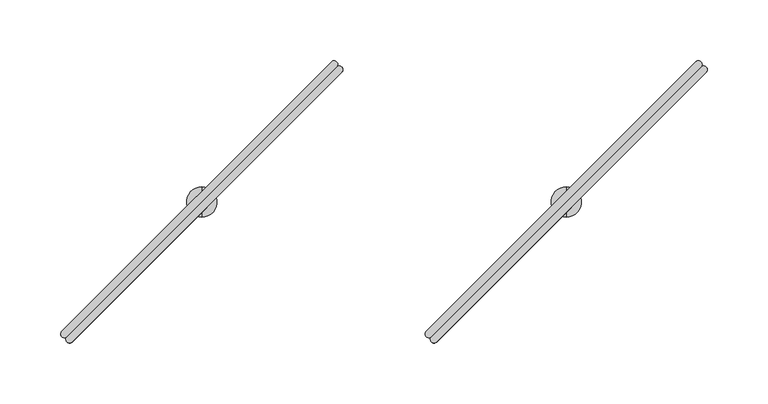
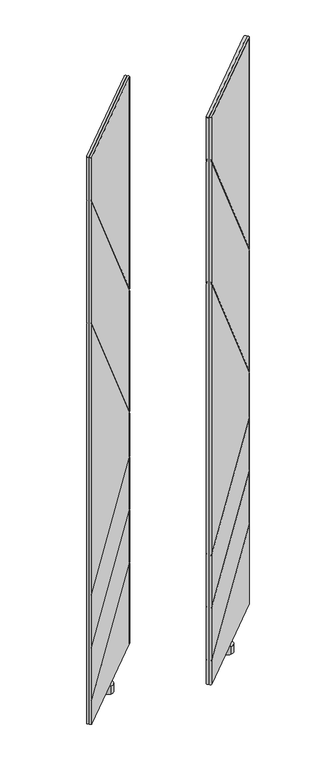
"""IFC4 building model written with IfcOpenShell, lengths in millimetres: furniture geometry."""

from ifc_helpers import new_model, si_unit, frame, origin, place, context, project, spatial, circle_curve, ellipse_curve, source, transform, mapped, element, save
from ifc_brep_helpers import plane_surface, cylinder_surface, advanced_brep


def furniture_da3703e4(model_context):
    return source(origin(), model_context, "Body", "AdvancedBrep", [
        advanced_brep(
        [(-110.9206656, -183.0476726, 1544.5359983), (111.0432147, 39.0094149, 1544.5359983), (106.8275161, 43.2234083, 1544.5359983), (-115.18424, -178.7849606, 1544.5359983), (-110.9206656, -183.0476726, 44.4119983), (-115.18424, -178.7849606, 44.4119983), (106.8275161, 43.2234083, 44.4119983), (111.0432147, 39.0094149, 44.4119983), (-115.18424, -178.7849606, 1429.2878628), (-115.6881022, -182.380027, 1433.3953437), (-115.6881022, -182.380027, 1427.844375), (-115.18424, -178.7849606, 1423.7368941), (-115.18424, -178.7849606, 1105.2593803), (-115.6881022, -182.380027, 1109.3659231), (-115.6881022, -182.380027, 1103.8158008), (-115.18424, -178.7849606, 1099.709258), (-115.18424, -178.7849606, 391.2800429), (-115.6881022, -182.380027, 389.9117165), (-115.6881022, -182.380027, 386.372591), (-115.18424, -178.7849606, 387.7409174), (-115.18424, -178.7849606, 251.1168163), (-115.6881022, -182.380027, 249.7483439), (-115.6881022, -182.380027, 246.2091496), (-115.18424, -178.7849606, 247.577622), (-115.18424, -178.7849606, 110.9151613), (-115.6881022, -182.380027, 109.5467302), (-115.6881022, -182.380027, 106.0075554), (-115.18424, -178.7849606, 107.3759865), (106.8275161, 43.2234083, 984.3412991), (106.8275161, 43.2234083, 255.6125147), (106.8275161, 43.2234083, 978.7903304), (106.8275161, 43.2234083, 660.4144411), (106.8275161, 43.2234083, 654.8643188), (106.8275161, 43.2234083, 539.5052317), (106.8275161, 43.2234083, 535.9661062), (106.8275161, 43.2234083, 399.3578128), (106.8275161, 43.2234083, 395.8186185), (106.8275161, 43.2234083, 259.1516895), (110.3510612, 43.6591364, 256.9343217), (110.3510612, 43.6591364, 260.4734965), (110.3510612, 43.6591364, 397.1404654), (110.3510612, 43.6591364, 400.6796597), (110.3510612, 43.6591364, 537.2878121), (110.3510612, 43.6591364, 540.8269377), (110.3510612, 43.6591364, 650.8976908), (110.3510612, 43.6591364, 656.4478131), (110.3510612, 43.6591364, 974.8227962), (110.3510612, 43.6591364, 980.3737649)],
        [
            (0, 1),
            (1, 2, circle_curve(frame((108.8832345, 41.0642596, 1544.5359983), z_axis=(0.0, 0.0, 1.0), x_axis=(0.6892541380737184, 0.724519656840486, 0.0)), 2.9812584)),
            (2, 3),
            (3, 0, circle_curve(frame((-113.0526846, -180.9165485, 1544.5359983), z_axis=(0.0, 0.0, 1.0), x_axis=(-0.7071121751659861, -0.7071013871659622, 0.0)), 3.0144975)),
            (4, 5, circle_curve(frame((-113.0526846, -180.9165485, 44.4119983), z_axis=(0.0, 0.0, -1.0), x_axis=(-0.7071121751659861, -0.7071013871659622, 0.0)), 3.0144975)),
            (5, 6),
            (6, 7, circle_curve(frame((108.8832345, 41.0642596, 44.4119983), z_axis=(0.0, 0.0, -1.0), x_axis=(0.6892541380737184, 0.724519656840486, 0.0)), 2.9812584)),
            (7, 4),
            (3, 8),
            (8, 9, ellipse_curve(frame((-113.0526846, -180.9165485, 1429.2878953), z_axis=(0.577750975804524, 0.5777509758045234, 0.576548020475174), x_axis=(-0.40768101495767617, -0.4076810149576757, 0.817063265657047)), 5.2285281, 3.0144975)),
            (9, 10),
            (10, 11, ellipse_curve(frame((-113.0526846, -180.9165485, 1423.7369267), z_axis=(-0.577750975804524, -0.5777509758045234, -0.576548020475174), x_axis=(-0.40768101495767617, -0.4076810149576757, 0.817063265657047)), 5.2285281, 3.0144975)),
            (11, 12),
            (12, 13, ellipse_curve(frame((-113.0526846, -180.9165485, 1105.2594129), z_axis=(0.5777071023563686, 0.577707102356368, 0.576635940411294), x_axis=(-0.4077431837407081, -0.4077431837407078, 0.8170012192316377)), 5.2277309, 3.0144975)),
            (13, 14),
            (14, 15, ellipse_curve(frame((-113.0526846, -180.9165485, 1099.7092905), z_axis=(-0.5777071023563686, -0.5777071023563679, -0.5766359404112942), x_axis=(-0.40774318374070834, -0.40774318374070784, 0.8170012192316375)), 5.2277309, 3.0144975)),
            (15, 16),
            (16, 17, ellipse_curve(frame((-113.0526846, -180.9165485, 391.2800321), z_axis=(-0.3018753516577264, -0.3018753516577261, 0.9042911832607062), x_axis=(0.6394304278508526, 0.6394304278508519, 0.42691621646050404)), 3.3335474, 3.0144975)),
            (17, 18),
            (18, 19, ellipse_curve(frame((-113.0526846, -180.9165485, 387.7409066), z_axis=(0.3018753516577265, 0.30187535165772633, -0.9042911832607061), x_axis=(0.6394304278508526, 0.6394304278508522, 0.4269162164605042)), 3.3335474, 3.0144975)),
            (19, 20),
            (20, 21, ellipse_curve(frame((-113.0526846, -180.9165485, 251.1168054), z_axis=(-0.3019016772725295, -0.3019016772725292, 0.9042736060065379), x_axis=(0.6394179988552356, 0.6394179988552351, 0.4269534465019956)), 3.3336122, 3.0144975)),
            (21, 22),
            (22, 23, ellipse_curve(frame((-113.0526846, -180.9165485, 247.5776111), z_axis=(0.3019016772725295, 0.30190167727252887, -0.9042736060065379), x_axis=(0.639417998855236, 0.6394179988552348, 0.42695344650199585)), 3.3336122, 3.0144975)),
            (23, 24),
            (24, 25, ellipse_curve(frame((-113.0526846, -180.9165485, 110.9151505), z_axis=(-0.30189423598003035, -0.30189423598003007, 0.9042785746461471), x_axis=(0.6394215122139965, 0.6394215122139959, 0.4269429229252227)), 3.3335939, 3.0144975)),
            (25, 26),
            (26, 27, ellipse_curve(frame((-113.0526846, -180.9165485, 107.3759756), z_axis=(0.30189423598002996, 0.3018942359800298, -0.9042785746461475), x_axis=(0.6394215122139967, 0.6394215122139962, 0.4269429229252216)), 3.3335939, 3.0144975)),
            (27, 5),
            (4, 0),
            (2, 28),
            (28, 8),
            (27, 29),
            (29, 6),
            (11, 30),
            (30, 31),
            (31, 12),
            (15, 32),
            (32, 33),
            (33, 16),
            (19, 34),
            (34, 35),
            (35, 20),
            (23, 36),
            (36, 37),
            (37, 24),
            (1, 7),
            (29, 38, ellipse_curve(frame((108.8832345, 41.0642596, 255.5779843), z_axis=(0.30189423598002996, 0.3018942359800298, -0.9042785746461475), x_axis=(0.6394215122139967, 0.6394215122139962, 0.4269429229252216)), 3.2968362, 2.9812584)),
            (38, 39),
            (39, 37, ellipse_curve(frame((108.8832345, 41.0642596, 259.1171592), z_axis=(-0.30189423598003035, -0.30189423598003007, 0.9042785746461471), x_axis=(0.6394215122139965, 0.6394215122139959, 0.4269429229252227)), 3.2968362, 2.9812584)),
            (36, 40, ellipse_curve(frame((108.8832345, 41.0642596, 395.7840871), z_axis=(0.3019016772725295, 0.30190167727252887, -0.9042736060065379), x_axis=(0.639417998855236, 0.6394179988552348, 0.42695344650199585)), 3.2968543, 2.9812584)),
            (40, 41),
            (41, 35, ellipse_curve(frame((108.8832345, 41.0642596, 399.3232814), z_axis=(-0.3019016772725295, -0.3019016772725292, 0.9042736060065379), x_axis=(0.6394179988552356, 0.6394179988552351, 0.4269534465019956)), 3.2968543, 2.9812584)),
            (34, 42, ellipse_curve(frame((108.8832345, 41.0642596, 535.9315785), z_axis=(0.3018753516577265, 0.30187535165772633, -0.9042911832607061), x_axis=(0.6394304278508526, 0.6394304278508522, 0.4269162164605042)), 3.2967902, 2.9812584)),
            (42, 43),
            (43, 33, ellipse_curve(frame((108.8832345, 41.0642596, 539.4707041), z_axis=(-0.3018753516577264, -0.3018753516577261, 0.9042911832607062), x_axis=(0.6394304278508526, 0.6394304278508519, 0.42691621646050404)), 3.2967902, 2.9812584)),
            (32, 44, ellipse_curve(frame((108.8832345, 41.0642596, 654.9679413), z_axis=(-0.5777071023563686, -0.5777071023563679, -0.5766359404112942), x_axis=(-0.40774318374070834, -0.40774318374070784, 0.8170012192316375)), 5.1700876, 2.9812584)),
            (44, 45),
            (45, 31, ellipse_curve(frame((108.8832345, 41.0642596, 660.5180637), z_axis=(0.5777071023563686, 0.577707102356368, 0.576635940411294), x_axis=(-0.4077431837407081, -0.4077431837407078, 0.8170012192316377)), 5.1700876, 2.9812584)),
            (30, 46, ellipse_curve(frame((108.8832345, 41.0642596, 978.8939766), z_axis=(-0.577750975804524, -0.5777509758045234, -0.576548020475174), x_axis=(-0.40768101495767617, -0.4076810149576757, 0.817063265657047)), 5.1708761, 2.9812584)),
            (46, 47),
            (47, 28, ellipse_curve(frame((108.8832345, 41.0642596, 984.4449453), z_axis=(0.577750975804524, 0.5777509758045234, 0.576548020475174), x_axis=(-0.40768101495767617, -0.4076810149576757, 0.817063265657047)), 5.1708761, 2.9812584)),
            (46, 10),
            (9, 47),
            (44, 14),
            (13, 45),
            (17, 43),
            (42, 18),
            (40, 22),
            (21, 41),
            (38, 26),
            (25, 39),
        ],
        [
            plane_surface(frame((-2.0585437, -69.8999525, 1544.5359983), z_axis=(0.0, 0.0, 1.0000000000000002), x_axis=(0.7069583324882522, 0.7072551987263367, 0.0))),
            plane_surface(frame((-2.0585437, -69.8999525, 44.4119983), z_axis=(0.0, 0.0, -1.0000000000000002), x_axis=(0.7069583324882522, 0.7072551987263367, 0.0))),
            cylinder_surface(frame((-113.0526846, -180.9165485, 44.4119983), z_axis=(0.0, 0.0, 1.0), x_axis=(-0.7071121751659861, -0.7071013871659622, 0.0)), 3.0144975),
            plane_surface(frame((-4.1783619, -67.7807761, 44.4119983), z_axis=(-0.7071013871659615, 0.7071121751659868, 0.0), x_axis=(-0.7071121751659868, -0.7071013871659615, 0.0))),
            cylinder_surface(frame((108.8832345, 41.0642596, 44.4119983), z_axis=(0.0, 0.0, 1.0), x_axis=(0.6892541380737184, 0.724519656840486, 0.0)), 2.9812584),
            plane_surface(frame((0.0612746, -72.0191288, 44.4119983), z_axis=(0.7072551987263367, -0.7069583324882522, 0.0), x_axis=(0.7069583324882522, 0.7072551987263367, 0.0))),
            plane_surface(frame((124.7325456, 58.0406208, 1894.4944788), z_axis=(-0.7071067811865472, 0.707106781186548, 0.0), x_axis=(0.0, 0.0, 1.0))),
            plane_surface(frame((-149.6523346, -176.8311325, 1461.8699696), z_axis=(-0.577750975804524, -0.5777509758045234, -0.576548020475174), x_axis=(0.7071067811865472, -0.7071067811865479, 0.0))),
            plane_surface(frame((104.9759821, 77.7971843, 945.9998141), z_axis=(0.577750975804524, 0.5777509758045234, 0.576548020475174), x_axis=(0.7071067811865472, -0.7071067811865479, 0.0))),
            plane_surface(frame((-149.6523346, -176.8311325, 1137.8340454), z_axis=(-0.5777071023563686, -0.577707102356368, -0.576635940411294), x_axis=(0.7071067811865472, -0.7071067811865479, 0.0))),
            plane_surface(frame((104.9759821, 77.7971843, 622.0812918), z_axis=(0.5777071023563686, 0.5777071023563679, 0.5766359404112942), x_axis=(0.7071067811865471, -0.707106781186548, 0.0))),
            plane_surface(frame((104.9759821, 77.7971843, 546.8896212), z_axis=(-0.3018753516577265, -0.30187535165772633, 0.9042911832607061), x_axis=(0.7071067811865474, -0.7071067811865477, 0.0))),
            plane_surface(frame((-149.6523346, -176.8311325, 380.4259554), z_axis=(0.30187535165772644, 0.30187535165772617, -0.9042911832607065), x_axis=(0.7071067811865472, -0.7071067811865479, 0.0))),
            plane_surface(frame((-149.6523346, -176.8311325, 240.2615712), z_axis=(0.3019016772725295, 0.3019016772725292, -0.9042736060065379), x_axis=(0.7071067811865472, -0.7071067811865479, 0.0))),
            plane_surface(frame((104.9759821, 77.7971843, 406.7432984), z_axis=(-0.3019016772725295, -0.30190167727252887, 0.9042736060065379), x_axis=(0.7071067811865468, -0.7071067811865482, 0.0))),
            plane_surface(frame((-149.6523346, -176.8311325, 100.0602435), z_axis=(0.3018942359800304, 0.3018942359800301, -0.9042785746461474), x_axis=(0.7071067811865472, -0.7071067811865479, 0.0))),
            plane_surface(frame((104.9759821, 77.7971843, 266.5368653), z_axis=(-0.30189423598002996, -0.3018942359800298, 0.9042785746461475), x_axis=(0.7071067811865474, -0.7071067811865477, 0.0))),
        ],
        [
            (0, [[1, 2, 3, 4]]),
            (1, [[5, 6, 7, 8]]),
            (2, [[-4, 9, 10, 11, 12, 13, 14, 15, 16, 17, 18, 19, 20, 21, 22, 23, 24, 25, 26, 27, 28, 29, -5, 30]]),
            (3, [[-3, 31, 32, -9]]),
            (3, [[-6, -29, 33, 34]]),
            (3, [[-13, 35, 36, 37]]),
            (3, [[-17, 38, 39, 40]]),
            (3, [[-21, 41, 42, 43]]),
            (3, [[-25, 44, 45, 46]]),
            (4, [[-2, 47, -7, -34, 48, 49, 50, -45, 51, 52, 53, -42, 54, 55, 56, -39, 57, 58, 59, -36, 60, 61, 62, -31]]),
            (5, [[-1, -30, -8, -47]]),
            (6, [[63, -11, 64, -61]]),
            (6, [[65, -15, 66, -58]]),
            (6, [[67, -55, 68, -19]]),
            (6, [[69, -23, 70, -52]]),
            (6, [[71, -27, 72, -49]]),
            (7, [[-64, -10, -32, -62]]),
            (8, [[-63, -60, -35, -12]]),
            (9, [[-66, -14, -37, -59]]),
            (10, [[-65, -57, -38, -16]]),
            (11, [[-68, -54, -41, -20]]),
            (12, [[-67, -18, -40, -56]]),
            (13, [[-70, -22, -43, -53]]),
            (14, [[-69, -51, -44, -24]]),
            (15, [[-72, -26, -46, -50]]),
            (16, [[-71, -48, -33, -28]]),
        ],
    ),
        advanced_brep(
        [(-110.9599734, -183.0083649, 1544.5359983), (-106.6972613, -187.2719392, 1544.5359983), (115.3111076, 34.7398168, 1544.5359983), (111.0971142, 38.9555155, 1544.5359983), (-110.9599733, -183.0083649, 44.4119983), (111.0971142, 38.9555155, 44.4119983), (115.3111076, 34.7398168, 44.4119983), (-106.6972613, -187.2719392, 44.4119983), (-106.6972613, -187.2719392, 107.3759865), (-110.2923277, -187.7758015, 106.0075554), (-110.2923277, -187.7758015, 109.5467302), (-106.6972613, -187.2719392, 110.9151613), (-106.6972613, -187.2719392, 247.577622), (-110.2923277, -187.7758015, 246.2091496), (-110.2923277, -187.7758015, 249.7483439), (-106.6972613, -187.2719392, 251.1168163), (-106.6972613, -187.2719392, 387.7409174), (-110.2923277, -187.7758015, 386.372591), (-110.2923277, -187.7758015, 389.9117165), (-106.6972613, -187.2719392, 391.2800429), (-106.6972613, -187.2719392, 1099.709258), (-110.2923277, -187.7758015, 1103.8158008), (-110.2923277, -187.7758015, 1109.3659231), (-106.6972613, -187.2719392, 1105.2593803), (-106.6972613, -187.2719392, 1423.7368941), (-110.2923277, -187.7758015, 1427.844375), (-110.2923277, -187.7758015, 1433.3953437), (-106.6972613, -187.2719392, 1429.2878628), (115.3111076, 34.7398168, 259.1516895), (115.3111076, 34.7398168, 395.8186185), (115.3111076, 34.7398168, 399.3578128), (115.3111076, 34.7398168, 535.9661062), (115.3111076, 34.7398168, 539.5052317), (115.3111076, 34.7398168, 654.8643188), (115.3111076, 34.7398168, 660.4144411), (115.3111076, 34.7398168, 978.7903304), (115.3111076, 34.7398168, 984.3412991), (115.3111076, 34.7398168, 255.6125147), (115.7468357, 38.263362, 980.3737649), (115.7468357, 38.263362, 974.8227962), (115.7468357, 38.263362, 656.4478131), (115.7468357, 38.263362, 650.8976908), (115.7468357, 38.263362, 540.8269377), (115.7468357, 38.263362, 537.2878121), (115.7468357, 38.263362, 400.6796597), (115.7468357, 38.263362, 397.1404654), (115.7468357, 38.263362, 260.4734965), (115.7468357, 38.263362, 256.9343217)],
        [
            (0, 1, circle_curve(frame((-108.8288492, -185.1403839, 1544.5359983), z_axis=(0.0, 0.0, 1.0), x_axis=(-0.7072551987263337, -0.7069583324882551, 0.0)), 3.0144975)),
            (1, 2),
            (2, 3, circle_curve(frame((113.1519589, 36.7955352, 1544.5359983), z_axis=(0.0, 0.0, 1.0), x_axis=(0.6895472047235311, 0.7242407420588576, 0.0)), 2.9812584)),
            (3, 0),
            (4, 5),
            (5, 6, circle_curve(frame((113.1519589, 36.7955352, 44.4119983), z_axis=(0.0, 0.0, -1.0), x_axis=(0.6895472047235311, 0.7242407420588576, 0.0)), 2.9812584)),
            (6, 7),
            (7, 4, circle_curve(frame((-108.8288492, -185.1403839, 44.4119983), z_axis=(0.0, 0.0, -1.0), x_axis=(-0.7072551987263337, -0.7069583324882551, 0.0)), 3.0144975)),
            (0, 4),
            (7, 8),
            (8, 9, ellipse_curve(frame((-108.8288492, -185.1403839, 107.3759756), z_axis=(0.3018942359800301, 0.3018942359800296, -0.9042785746461475), x_axis=(0.6394215122139969, 0.6394215122139959, 0.4269429229252216)), 3.3335939, 3.0144975)),
            (9, 10),
            (10, 11, ellipse_curve(frame((-108.8288492, -185.1403839, 110.9151505), z_axis=(-0.30189423598003046, -0.3018942359800299, 0.9042785746461472), x_axis=(0.639421512213997, 0.6394215122139958, 0.42694292292522235)), 3.3335939, 3.0144975)),
            (11, 12),
            (12, 13, ellipse_curve(frame((-108.8288492, -185.1403839, 247.5776111), z_axis=(0.3019016772725294, 0.3019016772725289, -0.9042736060065379), x_axis=(0.6394179988552359, 0.6394179988552348, 0.4269534465019958)), 3.3336122, 3.0144975)),
            (13, 14),
            (14, 15, ellipse_curve(frame((-108.8288492, -185.1403839, 251.1168054), z_axis=(-0.30190167727252964, -0.3019016772725291, 0.9042736060065377), x_axis=(0.6394179988552356, 0.6394179988552345, 0.42695344650199624)), 3.3336122, 3.0144975)),
            (15, 16),
            (16, 17, ellipse_curve(frame((-108.8288492, -185.1403839, 387.7409066), z_axis=(0.3018753516577267, 0.3018753516577262, -0.9042911832607062), x_axis=(0.6394304278508529, 0.6394304278508518, 0.42691621646050376)), 3.3335474, 3.0144975)),
            (17, 18),
            (18, 19, ellipse_curve(frame((-108.8288492, -185.1403839, 391.2800321), z_axis=(-0.3018753516577265, -0.30187535165772594, 0.9042911832607062), x_axis=(0.6394304278508529, 0.6394304278508517, 0.42691621646050404)), 3.3335474, 3.0144975)),
            (19, 20),
            (20, 21, ellipse_curve(frame((-108.8288492, -185.1403839, 1099.7092905), z_axis=(-0.5777071023563687, -0.5777071023563677, -0.5766359404112942), x_axis=(-0.40774318374070845, -0.4077431837407077, 0.8170012192316376)), 5.2277309, 3.0144975)),
            (21, 22),
            (22, 23, ellipse_curve(frame((-108.8288492, -185.1403839, 1105.2594129), z_axis=(0.5777071023563689, 0.5777071023563678, 0.576635940411294), x_axis=(-0.4077431837407084, -0.40774318374070756, 0.8170012192316377)), 5.2277309, 3.0144975)),
            (23, 24),
            (24, 25, ellipse_curve(frame((-108.8288492, -185.1403839, 1423.7369267), z_axis=(-0.5777509758045232, -0.5777509758045242, -0.5765480204751738), x_axis=(-0.40768101495767556, -0.4076810149576762, 0.8170632656570472)), 5.2285281, 3.0144975)),
            (25, 26),
            (26, 27, ellipse_curve(frame((-108.8288492, -185.1403839, 1429.2878953), z_axis=(0.5777509758045243, 0.5777509758045233, 0.5765480204751738), x_axis=(-0.4076810149576763, -0.4076810149576756, 0.8170632656570472)), 5.2285281, 3.0144975)),
            (27, 1),
            (11, 28),
            (28, 29),
            (29, 12),
            (15, 30),
            (30, 31),
            (31, 16),
            (19, 32),
            (32, 33),
            (33, 20),
            (23, 34),
            (34, 35),
            (35, 24),
            (27, 36),
            (36, 2),
            (6, 37),
            (37, 8),
            (36, 38, ellipse_curve(frame((113.1519589, 36.7955352, 984.4449453), z_axis=(0.5777509758045243, 0.5777509758045233, 0.5765480204751738), x_axis=(-0.4076810149576763, -0.4076810149576756, 0.8170632656570472)), 5.1708761, 2.9812584)),
            (38, 39),
            (39, 35, ellipse_curve(frame((113.1519589, 36.7955352, 978.8939766), z_axis=(-0.5777509758045232, -0.5777509758045242, -0.5765480204751738), x_axis=(-0.40768101495767556, -0.4076810149576762, 0.8170632656570472)), 5.1708761, 2.9812584)),
            (34, 40, ellipse_curve(frame((113.1519589, 36.7955352, 660.5180637), z_axis=(0.5777071023563689, 0.5777071023563678, 0.576635940411294), x_axis=(-0.4077431837407084, -0.40774318374070756, 0.8170012192316377)), 5.1700876, 2.9812584)),
            (40, 41),
            (41, 33, ellipse_curve(frame((113.1519589, 36.7955352, 654.9679413), z_axis=(-0.5777071023563687, -0.5777071023563677, -0.5766359404112942), x_axis=(-0.40774318374070845, -0.4077431837407077, 0.8170012192316376)), 5.1700876, 2.9812584)),
            (32, 42, ellipse_curve(frame((113.1519589, 36.7955352, 539.4707041), z_axis=(-0.3018753516577265, -0.30187535165772594, 0.9042911832607062), x_axis=(0.6394304278508529, 0.6394304278508517, 0.42691621646050404)), 3.2967902, 2.9812584)),
            (42, 43),
            (43, 31, ellipse_curve(frame((113.1519589, 36.7955352, 535.9315785), z_axis=(0.3018753516577267, 0.3018753516577262, -0.9042911832607062), x_axis=(0.6394304278508529, 0.6394304278508518, 0.42691621646050376)), 3.2967902, 2.9812584)),
            (30, 44, ellipse_curve(frame((113.1519589, 36.7955352, 399.3232814), z_axis=(-0.30190167727252964, -0.3019016772725291, 0.9042736060065377), x_axis=(0.6394179988552356, 0.6394179988552345, 0.42695344650199624)), 3.2968543, 2.9812584)),
            (44, 45),
            (45, 29, ellipse_curve(frame((113.1519589, 36.7955352, 395.7840871), z_axis=(0.3019016772725294, 0.3019016772725289, -0.9042736060065379), x_axis=(0.6394179988552359, 0.6394179988552348, 0.4269534465019958)), 3.2968543, 2.9812584)),
            (28, 46, ellipse_curve(frame((113.1519589, 36.7955352, 259.1171592), z_axis=(-0.30189423598003046, -0.3018942359800299, 0.9042785746461472), x_axis=(0.639421512213997, 0.6394215122139958, 0.42694292292522235)), 3.2968362, 2.9812584)),
            (46, 47),
            (47, 37, ellipse_curve(frame((113.1519589, 36.7955352, 255.5779843), z_axis=(0.3018942359800301, 0.3018942359800296, -0.9042785746461475), x_axis=(0.6394215122139969, 0.6394215122139959, 0.4269429229252216)), 3.2968362, 2.9812584)),
            (5, 3),
            (38, 26),
            (25, 39),
            (40, 22),
            (21, 41),
            (17, 43),
            (42, 18),
            (44, 14),
            (13, 45),
            (46, 10),
            (9, 47),
        ],
        [
            plane_surface(frame((2.1877468, -74.146243, 1544.5359983), z_axis=(0.0, 0.0, 1.0000000000000002), x_axis=(-0.7072551987263422, -0.7069583324882467, 0.0))),
            plane_surface(frame((2.1877468, -74.146243, 44.4119983), z_axis=(0.0, 0.0, -1.0000000000000002), x_axis=(-0.7072551987263422, -0.7069583324882467, 0.0))),
            cylinder_surface(frame((-108.8288492, -185.1403839, 44.4119983), z_axis=(0.0, 0.0, 1.0), x_axis=(-0.7072551987263337, -0.7069583324882551, 0.0)), 3.0144975),
            plane_surface(frame((4.3069231, -76.2660612, 44.4119983), z_axis=(0.7071121751659858, -0.7071013871659624, 0.0), x_axis=(0.7071013871659624, 0.7071121751659858, 0.0))),
            cylinder_surface(frame((113.1519589, 36.7955352, 44.4119983), z_axis=(0.0, 0.0, 1.0), x_axis=(0.6895472047235311, 0.7242407420588576, 0.0)), 2.9812584),
            plane_surface(frame((0.0685705, -72.0264247, 44.4119983), z_axis=(-0.7069583324882512, 0.7072551987263376, 0.0), x_axis=(-0.7072551987263376, -0.7069583324882512, 0.0))),
            plane_surface(frame((100.8293536, 23.3458798, 1010.2709792), z_axis=(0.7071067811865471, -0.7071067811865481, 0.0), x_axis=(0.40768101495767617, 0.40768101495767556, -0.8170632656570473))),
            plane_surface(frame((149.8848836, 32.8882829, 951.5507828), z_axis=(-0.5777509758045242, -0.5777509758045232, -0.5765480204751737), x_axis=(-0.7071067811865469, 0.7071067811865481, 0.0))),
            plane_surface(frame((-104.7434332, -221.7400339, 1456.3190009), z_axis=(0.5777509758045232, 0.5777509758045242, 0.5765480204751738), x_axis=(-0.7071067811865481, 0.7071067811865469, 0.0))),
            plane_surface(frame((149.8848836, 32.8882829, 627.6314141), z_axis=(-0.5777071023563689, -0.5777071023563678, -0.576635940411294), x_axis=(-0.7071067811865469, 0.7071067811865482, 0.0))),
            plane_surface(frame((-104.7434332, -221.7400339, 1132.2839231), z_axis=(0.5777071023563687, 0.5777071023563677, 0.5766359404112942), x_axis=(-0.7071067811865469, 0.7071067811865481, 0.0))),
            plane_surface(frame((-104.7434332, -221.7400339, 376.8868299), z_axis=(-0.3018753516577267, -0.3018753516577262, 0.9042911832607062), x_axis=(-0.7071067811865469, 0.7071067811865481, 0.0))),
            plane_surface(frame((149.8848836, 32.8882829, 550.4287468), z_axis=(0.30187535165772655, 0.301875351657726, -0.9042911832607065), x_axis=(-0.7071067811865469, 0.7071067811865482, 0.0))),
            plane_surface(frame((149.8848836, 32.8882829, 410.2824928), z_axis=(0.3019016772725297, 0.30190167727252915, -0.9042736060065379), x_axis=(-0.7071067811865469, 0.7071067811865482, 0.0))),
            plane_surface(frame((-104.7434332, -221.7400339, 236.7223769), z_axis=(-0.3019016772725294, -0.3019016772725289, 0.9042736060065379), x_axis=(-0.7071067811865469, 0.7071067811865481, 0.0))),
            plane_surface(frame((149.8848836, 32.8882829, 270.0760402), z_axis=(0.3018942359800305, 0.30189423598002996, -0.9042785746461475), x_axis=(-0.7071067811865469, 0.7071067811865482, 0.0))),
            plane_surface(frame((-104.7434332, -221.7400339, 96.5210686), z_axis=(-0.3018942359800301, -0.3018942359800296, 0.9042785746461475), x_axis=(-0.7071067811865469, 0.7071067811865481, 0.0))),
        ],
        [
            (0, [[1, 2, 3, 4]]),
            (1, [[5, 6, 7, 8]]),
            (2, [[-1, 9, -8, 10, 11, 12, 13, 14, 15, 16, 17, 18, 19, 20, 21, 22, 23, 24, 25, 26, 27, 28, 29, 30]]),
            (3, [[-14, 31, 32, 33]]),
            (3, [[-18, 34, 35, 36]]),
            (3, [[-22, 37, 38, 39]]),
            (3, [[-26, 40, 41, 42]]),
            (3, [[-2, -30, 43, 44]]),
            (3, [[-7, 45, 46, -10]]),
            (4, [[-3, -44, 47, 48, 49, -41, 50, 51, 52, -38, 53, 54, 55, -35, 56, 57, 58, -32, 59, 60, 61, -45, -6, 62]]),
            (5, [[-4, -62, -5, -9]]),
            (6, [[63, -28, 64, -48]]),
            (6, [[65, -24, 66, -51]]),
            (6, [[67, -54, 68, -20]]),
            (6, [[69, -16, 70, -57]]),
            (6, [[71, -12, 72, -60]]),
            (7, [[-63, -47, -43, -29]]),
            (8, [[-64, -27, -42, -49]]),
            (9, [[-65, -50, -40, -25]]),
            (10, [[-66, -23, -39, -52]]),
            (11, [[-67, -19, -36, -55]]),
            (12, [[-68, -53, -37, -21]]),
            (13, [[-69, -56, -34, -17]]),
            (14, [[-70, -15, -33, -58]]),
            (15, [[-71, -59, -31, -13]]),
            (16, [[-72, -11, -46, -61]]),
        ],
    ),
        advanced_brep(
        [(0.0, -84.5709522, 44.4119983), (0.0, -59.5748171, 44.4119983), (0.0, -59.5748171, 23.6755986), (0.0, -84.5709522, 23.6755986), (0.0, -72.0728847, 44.4119983), (0.0, -72.0728847, 23.6755986)],
        [
            (0, 1, circle_curve(frame((0.0, -72.0728847, 44.4119983), z_axis=(0.0, 0.0, -1.0), x_axis=(0.0, 1.0, 0.0)), 12.4980675)),
            (1, 2),
            (2, 3, circle_curve(frame((0.0, -72.0728847, 23.6755986), z_axis=(0.0, 0.0, 1.0), x_axis=(0.0, 1.0, 0.0)), 12.4980675)),
            (3, 0),
            (4, 1),
            (0, 4),
            (0, 1, circle_curve(frame((0.0, -72.0728847, 44.4119983), z_axis=(0.0, 0.0, 1.0), x_axis=(0.0, 1.0, 0.0)), 12.4980675)),
            (2, 5),
            (5, 3),
            (2, 3, circle_curve(frame((0.0, -72.0728847, 23.6755986), z_axis=(0.0, 0.0, -1.0), x_axis=(0.0, 1.0, 0.0)), 12.4980675)),
        ],
        [
            cylinder_surface(frame((0.0, -72.0728847, 51.9527758), z_axis=(0.0, 0.0, 1.0), x_axis=(0.0, 1.0, 0.0)), 12.4980675),
            plane_surface(frame((0.0, -72.0728847, 44.4119983), z_axis=(0.0, 0.0, 1.0), x_axis=(0.0, 1.0, 0.0))),
            plane_surface(frame((0.0, -72.0728847, 23.6755986), z_axis=(0.0, 0.0, -1.0), x_axis=(0.0, 1.0, 0.0))),
        ],
        [
            (0, [[1, 2, 3, 4]]),
            (1, [[5, -1, 6]]),
            (1, [[-6, 7, -5]]),
            (2, [[-3, 8, 9]]),
            (2, [[10, -9, -8]]),
            (0, [[-7, -4, -10, -2]]),
        ],
    ),
        advanced_brep(
        [(-410.9200656, -183.0476726, 1544.5359983), (-188.9561853, 39.0094149, 1544.5359983), (-193.1718839, 43.2234083, 1544.5359983), (-415.18364, -178.7849606, 1544.5359983), (-410.9200656, -183.0476726, 44.4119983), (-415.18364, -178.7849606, 44.4119983), (-193.1718839, 43.2234083, 44.4119983), (-188.9561853, 39.0094149, 44.4119983), (-415.18364, -178.7849606, 1429.2878628), (-415.6875022, -182.380027, 1433.3953437), (-415.6875022, -182.380027, 1427.844375), (-415.18364, -178.7849606, 1423.7368941), (-415.18364, -178.7849606, 1105.2593803), (-415.6875022, -182.380027, 1109.3659231), (-415.6875022, -182.380027, 1103.8158008), (-415.18364, -178.7849606, 1099.709258), (-415.18364, -178.7849606, 391.2800429), (-415.6875022, -182.380027, 389.9117165), (-415.6875022, -182.380027, 386.372591), (-415.18364, -178.7849606, 387.7409174), (-415.18364, -178.7849606, 251.1168163), (-415.6875022, -182.380027, 249.7483439), (-415.6875022, -182.380027, 246.2091496), (-415.18364, -178.7849606, 247.577622), (-415.18364, -178.7849606, 110.9151613), (-415.6875022, -182.380027, 109.5467302), (-415.6875022, -182.380027, 106.0075554), (-415.18364, -178.7849606, 107.3759865), (-193.1718839, 43.2234083, 984.3412991), (-193.1718839, 43.2234083, 255.6125147), (-193.1718839, 43.2234083, 978.7903304), (-193.1718839, 43.2234083, 660.4144411), (-193.1718839, 43.2234083, 654.8643188), (-193.1718839, 43.2234083, 539.5052317), (-193.1718839, 43.2234083, 535.9661062), (-193.1718839, 43.2234083, 399.3578128), (-193.1718839, 43.2234083, 395.8186185), (-193.1718839, 43.2234083, 259.1516895), (-189.6483388, 43.6591364, 256.9343217), (-189.6483388, 43.6591364, 260.4734965), (-189.6483388, 43.6591364, 397.1404654), (-189.6483388, 43.6591364, 400.6796597), (-189.6483388, 43.6591364, 537.2878121), (-189.6483388, 43.6591364, 540.8269377), (-189.6483388, 43.6591364, 650.8976908), (-189.6483388, 43.6591364, 656.4478131), (-189.6483388, 43.6591364, 974.8227962), (-189.6483388, 43.6591364, 980.3737649)],
        [
            (0, 1),
            (1, 2, circle_curve(frame((-191.1161655, 41.0642596, 1544.5359983), z_axis=(0.0, 0.0, 1.0), x_axis=(0.6892541380737184, 0.724519656840486, 0.0)), 2.9812584)),
            (2, 3),
            (3, 0, circle_curve(frame((-413.0520846, -180.9165485, 1544.5359983), z_axis=(0.0, 0.0, 1.0), x_axis=(-0.7071121751659861, -0.7071013871659622, 0.0)), 3.0144975)),
            (4, 5, circle_curve(frame((-413.0520846, -180.9165485, 44.4119983), z_axis=(0.0, 0.0, -1.0), x_axis=(-0.7071121751659861, -0.7071013871659622, 0.0)), 3.0144975)),
            (5, 6),
            (6, 7, circle_curve(frame((-191.1161655, 41.0642596, 44.4119983), z_axis=(0.0, 0.0, -1.0), x_axis=(0.6892541380737184, 0.724519656840486, 0.0)), 2.9812584)),
            (7, 4),
            (3, 8),
            (8, 9, ellipse_curve(frame((-413.0520846, -180.9165485, 1429.2878953), z_axis=(0.577750975804524, 0.5777509758045234, 0.576548020475174), x_axis=(-0.40768101495767617, -0.4076810149576757, 0.817063265657047)), 5.2285281, 3.0144975)),
            (9, 10),
            (10, 11, ellipse_curve(frame((-413.0520846, -180.9165485, 1423.7369267), z_axis=(-0.577750975804524, -0.5777509758045234, -0.576548020475174), x_axis=(-0.40768101495767617, -0.4076810149576757, 0.817063265657047)), 5.2285281, 3.0144975)),
            (11, 12),
            (12, 13, ellipse_curve(frame((-413.0520846, -180.9165485, 1105.2594129), z_axis=(0.5777071023563686, 0.577707102356368, 0.576635940411294), x_axis=(-0.4077431837407081, -0.4077431837407078, 0.8170012192316377)), 5.2277309, 3.0144975)),
            (13, 14),
            (14, 15, ellipse_curve(frame((-413.0520846, -180.9165485, 1099.7092905), z_axis=(-0.5777071023563686, -0.5777071023563679, -0.5766359404112942), x_axis=(-0.40774318374070834, -0.40774318374070784, 0.8170012192316375)), 5.2277309, 3.0144975)),
            (15, 16),
            (16, 17, ellipse_curve(frame((-413.0520846, -180.9165485, 391.2800321), z_axis=(-0.3018753516577264, -0.3018753516577261, 0.9042911832607062), x_axis=(0.6394304278508526, 0.6394304278508519, 0.42691621646050404)), 3.3335474, 3.0144975)),
            (17, 18),
            (18, 19, ellipse_curve(frame((-413.0520846, -180.9165485, 387.7409066), z_axis=(0.3018753516577265, 0.30187535165772633, -0.9042911832607061), x_axis=(0.6394304278508526, 0.6394304278508522, 0.4269162164605042)), 3.3335474, 3.0144975)),
            (19, 20),
            (20, 21, ellipse_curve(frame((-413.0520846, -180.9165485, 251.1168054), z_axis=(-0.3019016772725295, -0.3019016772725292, 0.9042736060065379), x_axis=(0.6394179988552356, 0.6394179988552351, 0.4269534465019956)), 3.3336122, 3.0144975)),
            (21, 22),
            (22, 23, ellipse_curve(frame((-413.0520846, -180.9165485, 247.5776111), z_axis=(0.3019016772725295, 0.30190167727252887, -0.9042736060065379), x_axis=(0.639417998855236, 0.6394179988552348, 0.42695344650199585)), 3.3336122, 3.0144975)),
            (23, 24),
            (24, 25, ellipse_curve(frame((-413.0520846, -180.9165485, 110.9151505), z_axis=(-0.30189423598003035, -0.30189423598003007, 0.9042785746461471), x_axis=(0.6394215122139965, 0.6394215122139959, 0.4269429229252227)), 3.3335939, 3.0144975)),
            (25, 26),
            (26, 27, ellipse_curve(frame((-413.0520846, -180.9165485, 107.3759756), z_axis=(0.30189423598002996, 0.3018942359800298, -0.9042785746461475), x_axis=(0.6394215122139967, 0.6394215122139962, 0.4269429229252216)), 3.3335939, 3.0144975)),
            (27, 5),
            (4, 0),
            (2, 28),
            (28, 8),
            (27, 29),
            (29, 6),
            (11, 30),
            (30, 31),
            (31, 12),
            (15, 32),
            (32, 33),
            (33, 16),
            (19, 34),
            (34, 35),
            (35, 20),
            (23, 36),
            (36, 37),
            (37, 24),
            (1, 7),
            (29, 38, ellipse_curve(frame((-191.1161655, 41.0642596, 255.5779843), z_axis=(0.30189423598002996, 0.3018942359800298, -0.9042785746461475), x_axis=(0.6394215122139967, 0.6394215122139962, 0.4269429229252216)), 3.2968362, 2.9812584)),
            (38, 39),
            (39, 37, ellipse_curve(frame((-191.1161655, 41.0642596, 259.1171592), z_axis=(-0.30189423598003035, -0.30189423598003007, 0.9042785746461471), x_axis=(0.6394215122139965, 0.6394215122139959, 0.4269429229252227)), 3.2968362, 2.9812584)),
            (36, 40, ellipse_curve(frame((-191.1161655, 41.0642596, 395.7840871), z_axis=(0.3019016772725295, 0.30190167727252887, -0.9042736060065379), x_axis=(0.639417998855236, 0.6394179988552348, 0.42695344650199585)), 3.2968543, 2.9812584)),
            (40, 41),
            (41, 35, ellipse_curve(frame((-191.1161655, 41.0642596, 399.3232814), z_axis=(-0.3019016772725295, -0.3019016772725292, 0.9042736060065379), x_axis=(0.6394179988552356, 0.6394179988552351, 0.4269534465019956)), 3.2968543, 2.9812584)),
            (34, 42, ellipse_curve(frame((-191.1161655, 41.0642596, 535.9315785), z_axis=(0.3018753516577265, 0.30187535165772633, -0.9042911832607061), x_axis=(0.6394304278508526, 0.6394304278508522, 0.4269162164605042)), 3.2967902, 2.9812584)),
            (42, 43),
            (43, 33, ellipse_curve(frame((-191.1161655, 41.0642596, 539.4707041), z_axis=(-0.3018753516577264, -0.3018753516577261, 0.9042911832607062), x_axis=(0.6394304278508526, 0.6394304278508519, 0.42691621646050404)), 3.2967902, 2.9812584)),
            (32, 44, ellipse_curve(frame((-191.1161655, 41.0642596, 654.9679413), z_axis=(-0.5777071023563686, -0.5777071023563679, -0.5766359404112942), x_axis=(-0.40774318374070834, -0.40774318374070784, 0.8170012192316375)), 5.1700876, 2.9812584)),
            (44, 45),
            (45, 31, ellipse_curve(frame((-191.1161655, 41.0642596, 660.5180637), z_axis=(0.5777071023563686, 0.577707102356368, 0.576635940411294), x_axis=(-0.4077431837407081, -0.4077431837407078, 0.8170012192316377)), 5.1700876, 2.9812584)),
            (30, 46, ellipse_curve(frame((-191.1161655, 41.0642596, 978.8939766), z_axis=(-0.577750975804524, -0.5777509758045234, -0.576548020475174), x_axis=(-0.40768101495767617, -0.4076810149576757, 0.817063265657047)), 5.1708761, 2.9812584)),
            (46, 47),
            (47, 28, ellipse_curve(frame((-191.1161655, 41.0642596, 984.4449453), z_axis=(0.577750975804524, 0.5777509758045234, 0.576548020475174), x_axis=(-0.40768101495767617, -0.4076810149576757, 0.817063265657047)), 5.1708761, 2.9812584)),
            (46, 10),
            (9, 47),
            (44, 14),
            (13, 45),
            (17, 43),
            (42, 18),
            (40, 22),
            (21, 41),
            (38, 26),
            (25, 39),
        ],
        [
            plane_surface(frame((-302.0579437, -69.8999525, 1544.5359983), z_axis=(0.0, 0.0, 1.0000000000000002), x_axis=(0.7069583324882522, 0.7072551987263367, 0.0))),
            plane_surface(frame((-302.0579437, -69.8999525, 44.4119983), z_axis=(0.0, 0.0, -1.0000000000000002), x_axis=(0.7069583324882522, 0.7072551987263367, 0.0))),
            cylinder_surface(frame((-413.0520846, -180.9165485, 44.4119983), z_axis=(0.0, 0.0, 1.0), x_axis=(-0.7071121751659861, -0.7071013871659622, 0.0)), 3.0144975),
            plane_surface(frame((-304.1777619, -67.7807761, 44.4119983), z_axis=(-0.7071013871659615, 0.7071121751659868, 0.0), x_axis=(-0.7071121751659868, -0.7071013871659615, 0.0))),
            cylinder_surface(frame((-191.1161655, 41.0642596, 44.4119983), z_axis=(0.0, 0.0, 1.0), x_axis=(0.6892541380737184, 0.724519656840486, 0.0)), 2.9812584),
            plane_surface(frame((-299.9381254, -72.0191288, 44.4119983), z_axis=(0.7072551987263367, -0.7069583324882522, 0.0), x_axis=(0.7069583324882522, 0.7072551987263367, 0.0))),
            plane_surface(frame((-175.2668544, 58.0406208, 1894.4944788), z_axis=(-0.7071067811865472, 0.707106781186548, 0.0), x_axis=(0.0, 0.0, 1.0))),
            plane_surface(frame((-449.6517346, -176.8311325, 1461.8699696), z_axis=(-0.577750975804524, -0.5777509758045234, -0.576548020475174), x_axis=(0.7071067811865472, -0.7071067811865479, 0.0))),
            plane_surface(frame((-195.0234179, 77.7971843, 945.9998141), z_axis=(0.577750975804524, 0.5777509758045234, 0.576548020475174), x_axis=(0.7071067811865472, -0.7071067811865479, 0.0))),
            plane_surface(frame((-449.6517346, -176.8311325, 1137.8340454), z_axis=(-0.5777071023563686, -0.577707102356368, -0.576635940411294), x_axis=(0.7071067811865472, -0.7071067811865479, 0.0))),
            plane_surface(frame((-195.0234179, 77.7971843, 622.0812918), z_axis=(0.5777071023563686, 0.5777071023563679, 0.5766359404112942), x_axis=(0.7071067811865471, -0.707106781186548, 0.0))),
            plane_surface(frame((-195.0234179, 77.7971843, 546.8896212), z_axis=(-0.3018753516577265, -0.30187535165772633, 0.9042911832607061), x_axis=(0.7071067811865474, -0.7071067811865477, 0.0))),
            plane_surface(frame((-449.6517346, -176.8311325, 380.4259554), z_axis=(0.30187535165772644, 0.30187535165772617, -0.9042911832607065), x_axis=(0.7071067811865472, -0.7071067811865479, 0.0))),
            plane_surface(frame((-449.6517346, -176.8311325, 240.2615712), z_axis=(0.3019016772725295, 0.3019016772725292, -0.9042736060065379), x_axis=(0.7071067811865472, -0.7071067811865479, 0.0))),
            plane_surface(frame((-195.0234179, 77.7971843, 406.7432984), z_axis=(-0.3019016772725295, -0.30190167727252887, 0.9042736060065379), x_axis=(0.7071067811865468, -0.7071067811865482, 0.0))),
            plane_surface(frame((-449.6517346, -176.8311325, 100.0602435), z_axis=(0.3018942359800304, 0.3018942359800301, -0.9042785746461474), x_axis=(0.7071067811865472, -0.7071067811865479, 0.0))),
            plane_surface(frame((-195.0234179, 77.7971843, 266.5368653), z_axis=(-0.30189423598002996, -0.3018942359800298, 0.9042785746461475), x_axis=(0.7071067811865474, -0.7071067811865477, 0.0))),
        ],
        [
            (0, [[1, 2, 3, 4]]),
            (1, [[5, 6, 7, 8]]),
            (2, [[-4, 9, 10, 11, 12, 13, 14, 15, 16, 17, 18, 19, 20, 21, 22, 23, 24, 25, 26, 27, 28, 29, -5, 30]]),
            (3, [[-3, 31, 32, -9]]),
            (3, [[-6, -29, 33, 34]]),
            (3, [[-13, 35, 36, 37]]),
            (3, [[-17, 38, 39, 40]]),
            (3, [[-21, 41, 42, 43]]),
            (3, [[-25, 44, 45, 46]]),
            (4, [[-2, 47, -7, -34, 48, 49, 50, -45, 51, 52, 53, -42, 54, 55, 56, -39, 57, 58, 59, -36, 60, 61, 62, -31]]),
            (5, [[-1, -30, -8, -47]]),
            (6, [[63, -11, 64, -61]]),
            (6, [[65, -15, 66, -58]]),
            (6, [[67, -55, 68, -19]]),
            (6, [[69, -23, 70, -52]]),
            (6, [[71, -27, 72, -49]]),
            (7, [[-64, -10, -32, -62]]),
            (8, [[-63, -60, -35, -12]]),
            (9, [[-66, -14, -37, -59]]),
            (10, [[-65, -57, -38, -16]]),
            (11, [[-68, -54, -41, -20]]),
            (12, [[-67, -18, -40, -56]]),
            (13, [[-70, -22, -43, -53]]),
            (14, [[-69, -51, -44, -24]]),
            (15, [[-72, -26, -46, -50]]),
            (16, [[-71, -48, -33, -28]]),
        ],
    ),
        advanced_brep(
        [(-410.9593734, -183.0083649, 1544.5359983), (-406.6966613, -187.2719392, 1544.5359983), (-184.6882924, 34.7398168, 1544.5359983), (-188.9022858, 38.9555155, 1544.5359983), (-410.9593733, -183.0083649, 44.4119983), (-188.9022858, 38.9555155, 44.4119983), (-184.6882924, 34.7398168, 44.4119983), (-406.6966613, -187.2719392, 44.4119983), (-406.6966613, -187.2719392, 107.3759865), (-410.2917277, -187.7758015, 106.0075554), (-410.2917277, -187.7758015, 109.5467302), (-406.6966613, -187.2719392, 110.9151613), (-406.6966613, -187.2719392, 247.577622), (-410.2917277, -187.7758015, 246.2091496), (-410.2917277, -187.7758015, 249.7483439), (-406.6966613, -187.2719392, 251.1168163), (-406.6966613, -187.2719392, 387.7409174), (-410.2917277, -187.7758015, 386.372591), (-410.2917277, -187.7758015, 389.9117165), (-406.6966613, -187.2719392, 391.2800429), (-406.6966613, -187.2719392, 1099.709258), (-410.2917277, -187.7758015, 1103.8158008), (-410.2917277, -187.7758015, 1109.3659231), (-406.6966613, -187.2719392, 1105.2593803), (-406.6966613, -187.2719392, 1423.7368941), (-410.2917277, -187.7758015, 1427.844375), (-410.2917277, -187.7758015, 1433.3953437), (-406.6966613, -187.2719392, 1429.2878628), (-184.6882924, 34.7398168, 259.1516895), (-184.6882924, 34.7398168, 395.8186185), (-184.6882924, 34.7398168, 399.3578128), (-184.6882924, 34.7398168, 535.9661062), (-184.6882924, 34.7398168, 539.5052317), (-184.6882924, 34.7398168, 654.8643188), (-184.6882924, 34.7398168, 660.4144411), (-184.6882924, 34.7398168, 978.7903304), (-184.6882924, 34.7398168, 984.3412991), (-184.6882924, 34.7398168, 255.6125147), (-184.2525643, 38.263362, 980.3737649), (-184.2525643, 38.263362, 974.8227962), (-184.2525643, 38.263362, 656.4478131), (-184.2525643, 38.263362, 650.8976908), (-184.2525643, 38.263362, 540.8269377), (-184.2525643, 38.263362, 537.2878121), (-184.2525643, 38.263362, 400.6796597), (-184.2525643, 38.263362, 397.1404654), (-184.2525643, 38.263362, 260.4734965), (-184.2525643, 38.263362, 256.9343217)],
        [
            (0, 1, circle_curve(frame((-408.8282492, -185.1403839, 1544.5359983), z_axis=(0.0, 0.0, 1.0), x_axis=(-0.7072551987263337, -0.7069583324882551, 0.0)), 3.0144975)),
            (1, 2),
            (2, 3, circle_curve(frame((-186.8474411, 36.7955352, 1544.5359983), z_axis=(0.0, 0.0, 1.0), x_axis=(0.6895472047235311, 0.7242407420588576, 0.0)), 2.9812584)),
            (3, 0),
            (4, 5),
            (5, 6, circle_curve(frame((-186.8474411, 36.7955352, 44.4119983), z_axis=(0.0, 0.0, -1.0), x_axis=(0.6895472047235311, 0.7242407420588576, 0.0)), 2.9812584)),
            (6, 7),
            (7, 4, circle_curve(frame((-408.8282492, -185.1403839, 44.4119983), z_axis=(0.0, 0.0, -1.0), x_axis=(-0.7072551987263337, -0.7069583324882551, 0.0)), 3.0144975)),
            (0, 4),
            (7, 8),
            (8, 9, ellipse_curve(frame((-408.8282492, -185.1403839, 107.3759756), z_axis=(0.3018942359800301, 0.3018942359800296, -0.9042785746461475), x_axis=(0.6394215122139969, 0.6394215122139959, 0.4269429229252216)), 3.3335939, 3.0144975)),
            (9, 10),
            (10, 11, ellipse_curve(frame((-408.8282492, -185.1403839, 110.9151505), z_axis=(-0.30189423598003046, -0.3018942359800299, 0.9042785746461472), x_axis=(0.639421512213997, 0.6394215122139958, 0.42694292292522235)), 3.3335939, 3.0144975)),
            (11, 12),
            (12, 13, ellipse_curve(frame((-408.8282492, -185.1403839, 247.5776111), z_axis=(0.3019016772725294, 0.3019016772725289, -0.9042736060065379), x_axis=(0.6394179988552359, 0.6394179988552348, 0.4269534465019958)), 3.3336122, 3.0144975)),
            (13, 14),
            (14, 15, ellipse_curve(frame((-408.8282492, -185.1403839, 251.1168054), z_axis=(-0.30190167727252964, -0.3019016772725291, 0.9042736060065377), x_axis=(0.6394179988552356, 0.6394179988552345, 0.42695344650199624)), 3.3336122, 3.0144975)),
            (15, 16),
            (16, 17, ellipse_curve(frame((-408.8282492, -185.1403839, 387.7409066), z_axis=(0.3018753516577267, 0.3018753516577262, -0.9042911832607062), x_axis=(0.6394304278508529, 0.6394304278508518, 0.42691621646050376)), 3.3335474, 3.0144975)),
            (17, 18),
            (18, 19, ellipse_curve(frame((-408.8282492, -185.1403839, 391.2800321), z_axis=(-0.3018753516577265, -0.30187535165772594, 0.9042911832607062), x_axis=(0.6394304278508529, 0.6394304278508517, 0.42691621646050404)), 3.3335474, 3.0144975)),
            (19, 20),
            (20, 21, ellipse_curve(frame((-408.8282492, -185.1403839, 1099.7092905), z_axis=(-0.5777071023563687, -0.5777071023563677, -0.5766359404112942), x_axis=(-0.40774318374070845, -0.4077431837407077, 0.8170012192316376)), 5.2277309, 3.0144975)),
            (21, 22),
            (22, 23, ellipse_curve(frame((-408.8282492, -185.1403839, 1105.2594129), z_axis=(0.5777071023563689, 0.5777071023563678, 0.576635940411294), x_axis=(-0.4077431837407084, -0.40774318374070756, 0.8170012192316377)), 5.2277309, 3.0144975)),
            (23, 24),
            (24, 25, ellipse_curve(frame((-408.8282492, -185.1403839, 1423.7369267), z_axis=(-0.5777509758045232, -0.5777509758045242, -0.5765480204751738), x_axis=(-0.40768101495767556, -0.4076810149576762, 0.8170632656570472)), 5.2285281, 3.0144975)),
            (25, 26),
            (26, 27, ellipse_curve(frame((-408.8282492, -185.1403839, 1429.2878953), z_axis=(0.5777509758045243, 0.5777509758045233, 0.5765480204751738), x_axis=(-0.4076810149576763, -0.4076810149576756, 0.8170632656570472)), 5.2285281, 3.0144975)),
            (27, 1),
            (11, 28),
            (28, 29),
            (29, 12),
            (15, 30),
            (30, 31),
            (31, 16),
            (19, 32),
            (32, 33),
            (33, 20),
            (23, 34),
            (34, 35),
            (35, 24),
            (27, 36),
            (36, 2),
            (6, 37),
            (37, 8),
            (36, 38, ellipse_curve(frame((-186.8474411, 36.7955352, 984.4449453), z_axis=(0.5777509758045243, 0.5777509758045233, 0.5765480204751738), x_axis=(-0.4076810149576763, -0.4076810149576756, 0.8170632656570472)), 5.1708761, 2.9812584)),
            (38, 39),
            (39, 35, ellipse_curve(frame((-186.8474411, 36.7955352, 978.8939766), z_axis=(-0.5777509758045232, -0.5777509758045242, -0.5765480204751738), x_axis=(-0.40768101495767556, -0.4076810149576762, 0.8170632656570472)), 5.1708761, 2.9812584)),
            (34, 40, ellipse_curve(frame((-186.8474411, 36.7955352, 660.5180637), z_axis=(0.5777071023563689, 0.5777071023563678, 0.576635940411294), x_axis=(-0.4077431837407084, -0.40774318374070756, 0.8170012192316377)), 5.1700876, 2.9812584)),
            (40, 41),
            (41, 33, ellipse_curve(frame((-186.8474411, 36.7955352, 654.9679413), z_axis=(-0.5777071023563687, -0.5777071023563677, -0.5766359404112942), x_axis=(-0.40774318374070845, -0.4077431837407077, 0.8170012192316376)), 5.1700876, 2.9812584)),
            (32, 42, ellipse_curve(frame((-186.8474411, 36.7955352, 539.4707041), z_axis=(-0.3018753516577265, -0.30187535165772594, 0.9042911832607062), x_axis=(0.6394304278508529, 0.6394304278508517, 0.42691621646050404)), 3.2967902, 2.9812584)),
            (42, 43),
            (43, 31, ellipse_curve(frame((-186.8474411, 36.7955352, 535.9315785), z_axis=(0.3018753516577267, 0.3018753516577262, -0.9042911832607062), x_axis=(0.6394304278508529, 0.6394304278508518, 0.42691621646050376)), 3.2967902, 2.9812584)),
            (30, 44, ellipse_curve(frame((-186.8474411, 36.7955352, 399.3232814), z_axis=(-0.30190167727252964, -0.3019016772725291, 0.9042736060065377), x_axis=(0.6394179988552356, 0.6394179988552345, 0.42695344650199624)), 3.2968543, 2.9812584)),
            (44, 45),
            (45, 29, ellipse_curve(frame((-186.8474411, 36.7955352, 395.7840871), z_axis=(0.3019016772725294, 0.3019016772725289, -0.9042736060065379), x_axis=(0.6394179988552359, 0.6394179988552348, 0.4269534465019958)), 3.2968543, 2.9812584)),
            (28, 46, ellipse_curve(frame((-186.8474411, 36.7955352, 259.1171592), z_axis=(-0.30189423598003046, -0.3018942359800299, 0.9042785746461472), x_axis=(0.639421512213997, 0.6394215122139958, 0.42694292292522235)), 3.2968362, 2.9812584)),
            (46, 47),
            (47, 37, ellipse_curve(frame((-186.8474411, 36.7955352, 255.5779843), z_axis=(0.3018942359800301, 0.3018942359800296, -0.9042785746461475), x_axis=(0.6394215122139969, 0.6394215122139959, 0.4269429229252216)), 3.2968362, 2.9812584)),
            (5, 3),
            (38, 26),
            (25, 39),
            (40, 22),
            (21, 41),
            (17, 43),
            (42, 18),
            (44, 14),
            (13, 45),
            (46, 10),
            (9, 47),
        ],
        [
            plane_surface(frame((-297.8116532, -74.146243, 1544.5359983), z_axis=(0.0, 0.0, 1.0000000000000002), x_axis=(-0.7072551987263422, -0.7069583324882467, 0.0))),
            plane_surface(frame((-297.8116532, -74.146243, 44.4119983), z_axis=(0.0, 0.0, -1.0000000000000002), x_axis=(-0.7072551987263422, -0.7069583324882467, 0.0))),
            cylinder_surface(frame((-408.8282492, -185.1403839, 44.4119983), z_axis=(0.0, 0.0, 1.0), x_axis=(-0.7072551987263337, -0.7069583324882551, 0.0)), 3.0144975),
            plane_surface(frame((-295.6924769, -76.2660612, 44.4119983), z_axis=(0.7071121751659858, -0.7071013871659624, 0.0), x_axis=(0.7071013871659624, 0.7071121751659858, 0.0))),
            cylinder_surface(frame((-186.8474411, 36.7955352, 44.4119983), z_axis=(0.0, 0.0, 1.0), x_axis=(0.6895472047235311, 0.7242407420588576, 0.0)), 2.9812584),
            plane_surface(frame((-299.9308295, -72.0264247, 44.4119983), z_axis=(-0.7069583324882512, 0.7072551987263376, 0.0), x_axis=(-0.7072551987263376, -0.7069583324882512, 0.0))),
            plane_surface(frame((-199.1700464, 23.3458798, 1010.2709792), z_axis=(0.7071067811865471, -0.7071067811865481, 0.0), x_axis=(0.40768101495767617, 0.40768101495767556, -0.8170632656570473))),
            plane_surface(frame((-150.1145164, 32.8882829, 951.5507828), z_axis=(-0.5777509758045242, -0.5777509758045232, -0.5765480204751737), x_axis=(-0.7071067811865469, 0.7071067811865481, 0.0))),
            plane_surface(frame((-404.7428332, -221.7400339, 1456.3190009), z_axis=(0.5777509758045232, 0.5777509758045242, 0.5765480204751738), x_axis=(-0.7071067811865481, 0.7071067811865469, 0.0))),
            plane_surface(frame((-150.1145164, 32.8882829, 627.6314141), z_axis=(-0.5777071023563689, -0.5777071023563678, -0.576635940411294), x_axis=(-0.7071067811865469, 0.7071067811865482, 0.0))),
            plane_surface(frame((-404.7428332, -221.7400339, 1132.2839231), z_axis=(0.5777071023563687, 0.5777071023563677, 0.5766359404112942), x_axis=(-0.7071067811865469, 0.7071067811865481, 0.0))),
            plane_surface(frame((-404.7428332, -221.7400339, 376.8868299), z_axis=(-0.3018753516577267, -0.3018753516577262, 0.9042911832607062), x_axis=(-0.7071067811865469, 0.7071067811865481, 0.0))),
            plane_surface(frame((-150.1145164, 32.8882829, 550.4287468), z_axis=(0.30187535165772655, 0.301875351657726, -0.9042911832607065), x_axis=(-0.7071067811865469, 0.7071067811865482, 0.0))),
            plane_surface(frame((-150.1145164, 32.8882829, 410.2824928), z_axis=(0.3019016772725297, 0.30190167727252915, -0.9042736060065379), x_axis=(-0.7071067811865469, 0.7071067811865482, 0.0))),
            plane_surface(frame((-404.7428332, -221.7400339, 236.7223769), z_axis=(-0.3019016772725294, -0.3019016772725289, 0.9042736060065379), x_axis=(-0.7071067811865469, 0.7071067811865481, 0.0))),
            plane_surface(frame((-150.1145164, 32.8882829, 270.0760402), z_axis=(0.3018942359800305, 0.30189423598002996, -0.9042785746461475), x_axis=(-0.7071067811865469, 0.7071067811865482, 0.0))),
            plane_surface(frame((-404.7428332, -221.7400339, 96.5210686), z_axis=(-0.3018942359800301, -0.3018942359800296, 0.9042785746461475), x_axis=(-0.7071067811865469, 0.7071067811865481, 0.0))),
        ],
        [
            (0, [[1, 2, 3, 4]]),
            (1, [[5, 6, 7, 8]]),
            (2, [[-1, 9, -8, 10, 11, 12, 13, 14, 15, 16, 17, 18, 19, 20, 21, 22, 23, 24, 25, 26, 27, 28, 29, 30]]),
            (3, [[-14, 31, 32, 33]]),
            (3, [[-18, 34, 35, 36]]),
            (3, [[-22, 37, 38, 39]]),
            (3, [[-26, 40, 41, 42]]),
            (3, [[-2, -30, 43, 44]]),
            (3, [[-7, 45, 46, -10]]),
            (4, [[-3, -44, 47, 48, 49, -41, 50, 51, 52, -38, 53, 54, 55, -35, 56, 57, 58, -32, 59, 60, 61, -45, -6, 62]]),
            (5, [[-4, -62, -5, -9]]),
            (6, [[63, -28, 64, -48]]),
            (6, [[65, -24, 66, -51]]),
            (6, [[67, -54, 68, -20]]),
            (6, [[69, -16, 70, -57]]),
            (6, [[71, -12, 72, -60]]),
            (7, [[-63, -47, -43, -29]]),
            (8, [[-64, -27, -42, -49]]),
            (9, [[-65, -50, -40, -25]]),
            (10, [[-66, -23, -39, -52]]),
            (11, [[-67, -19, -36, -55]]),
            (12, [[-68, -53, -37, -21]]),
            (13, [[-69, -56, -34, -17]]),
            (14, [[-70, -15, -33, -58]]),
            (15, [[-71, -59, -31, -13]]),
            (16, [[-72, -11, -46, -61]]),
        ],
    ),
        advanced_brep(
        [(-299.9994, -84.5709522, 44.4119983), (-299.9994, -59.5748171, 44.4119983), (-299.9994, -59.5748171, 23.6755986), (-299.9994, -84.5709522, 23.6755986), (-299.9994, -72.0728847, 44.4119983), (-299.9994, -72.0728847, 23.6755986)],
        [
            (0, 1, circle_curve(frame((-299.9994, -72.0728847, 44.4119983), z_axis=(0.0, 0.0, -1.0), x_axis=(0.0, 1.0, 0.0)), 12.4980675)),
            (1, 2),
            (2, 3, circle_curve(frame((-299.9994, -72.0728847, 23.6755986), z_axis=(0.0, 0.0, 1.0), x_axis=(0.0, 1.0, 0.0)), 12.4980675)),
            (3, 0),
            (4, 1),
            (0, 4),
            (0, 1, circle_curve(frame((-299.9994, -72.0728847, 44.4119983), z_axis=(0.0, 0.0, 1.0), x_axis=(0.0, 1.0, 0.0)), 12.4980675)),
            (2, 5),
            (5, 3),
            (2, 3, circle_curve(frame((-299.9994, -72.0728847, 23.6755986), z_axis=(0.0, 0.0, -1.0), x_axis=(0.0, 1.0, 0.0)), 12.4980675)),
        ],
        [
            cylinder_surface(frame((-299.9994, -72.0728847, 51.9527758), z_axis=(0.0, 0.0, 1.0), x_axis=(0.0, 1.0, 0.0)), 12.4980675),
            plane_surface(frame((-299.9994, -72.0728847, 44.4119983), z_axis=(0.0, 0.0, 1.0), x_axis=(0.0, 1.0, 0.0))),
            plane_surface(frame((-299.9994, -72.0728847, 23.6755986), z_axis=(0.0, 0.0, -1.0), x_axis=(0.0, 1.0, 0.0))),
        ],
        [
            (0, [[1, 2, 3, 4]]),
            (1, [[5, -1, 6]]),
            (1, [[-6, 7, -5]]),
            (2, [[-3, 8, 9]]),
            (2, [[10, -9, -8]]),
            (0, [[-7, -4, -10, -2]]),
        ],
    ),
    ])


if __name__ == "__main__":
    model = new_model("IFC4")
    model_context = context("Model", 3, world=origin())
    ifc_project = project(units=[si_unit("LENGTHUNIT", "METRE", prefix="MILLI")], contexts=[model_context])
    site = spatial("IfcSite", under=ifc_project)
    building = spatial("IfcBuilding", under=site)
    placement = place(None, origin())
    furniture_shape = furniture_da3703e4(model_context)
    element("IfcFurniture", 1, at=placement, inside=building, context=model_context, shape_type="MappedRepresentation", body=[
        mapped(furniture_shape, transform((0.0, 0.0, 0.0), x_axis=(1.0, 0.0, 0.0), y_axis=(0.0, 1.0, 0.0), z_axis=(0.0, 0.0, 1.0))),
    ])
    save(model, "model.ifc")
